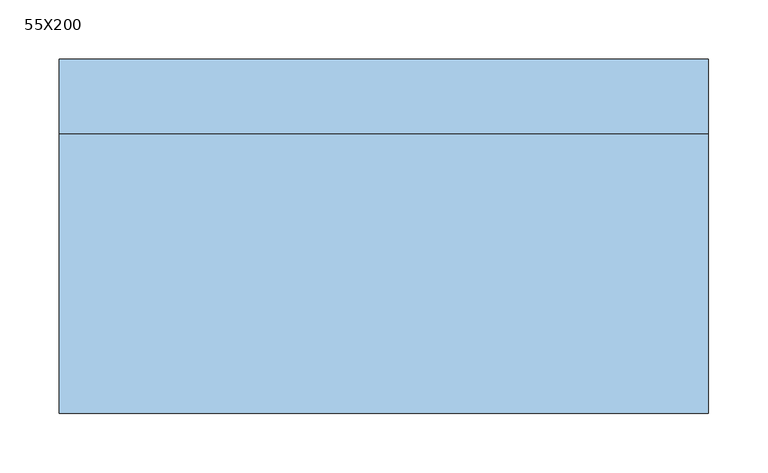
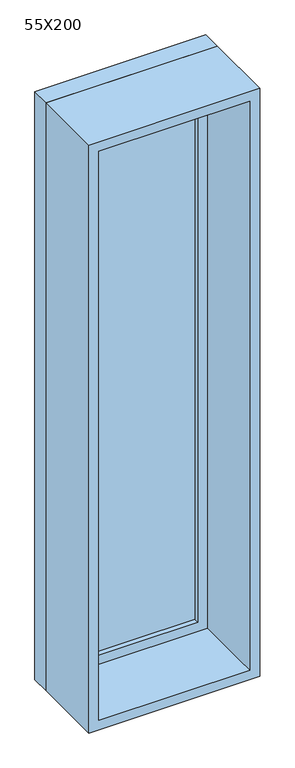
"""IFC4 building model written with IfcOpenShell, lengths in millimetres: window geometry, 55X200."""

from ifc_helpers import new_model, si_unit, frame, origin, place, context, project, spatial, polyline, outline, extrude, source, transform, mapped, element, save


def window_55x200_dfcc4f8e(model_context):
    return source(origin(), model_context, "Body", "SweptSolid", [
        extrude(outline(polyline([(173.4, 102.375), (-249.6, 102.375), (-249.6, 115.075), (173.4, 115.075), (173.4, 102.375)])), frame((0.0, 0.0, 977.9), z_axis=(0.0, 0.0, 1.0), x_axis=(1.0, 0.0, 0.0)), (0.0, 0.0, 1.0), 1873.0),
        extrude(outline(polyline([(2895.35, -294.05), (933.45, -294.05), (933.45, 217.85), (2895.35, 217.85), (2895.35, -294.05)]), holes=[polyline([(2850.9, -249.6), (2850.9, 173.4), (977.9, 173.4), (977.9, -249.6), (2850.9, -249.6)])]), frame((0.0, 86.5, 0.0), z_axis=(0.0, 1.0, 0.0), x_axis=(0.0, 0.0, 1.0)), (0.0, 0.0, 1.0), 44.45),
        extrude(outline(polyline([(2914.4, -313.1), (914.4, -313.1), (914.4, 236.9), (2914.4, 236.9), (2914.4, -313.1)]), holes=[polyline([(2882.65, -281.35), (2882.65, 205.15), (946.15, 205.15), (946.15, -281.35), (2882.65, -281.35)])]), frame((0.0, -150.0, 0.0), z_axis=(0.0, 1.0, 0.0), x_axis=(0.0, 0.0, 1.0)), (0.0, 0.0, 1.0), 236.5),
        extrude(outline(polyline([(2914.4, 236.9), (2914.4, -313.1), (914.4, -313.1), (914.4, 236.9), (2914.4, 236.9)]), holes=[polyline([(2895.35, 217.85), (933.45, 217.85), (933.45, -294.05), (2895.35, -294.05), (2895.35, 217.85)])]), frame((0.0, 86.5, 0.0), z_axis=(0.0, 1.0, 0.0), x_axis=(0.0, 0.0, 1.0)), (0.0, 0.0, 1.0), 63.5),
    ])


if __name__ == "__main__":
    model = new_model("IFC4")
    model_context = context("Model", 3, world=origin())
    ifc_project = project(units=[si_unit("LENGTHUNIT", "METRE", prefix="MILLI")], contexts=[model_context])
    site = spatial("IfcSite", under=ifc_project)
    building = spatial("IfcBuilding", under=site)
    placement = place(None, origin())
    window_55x200_shape = window_55x200_dfcc4f8e(model_context)
    element("IfcWindow", 1, ObjectType="55X200", at=placement, inside=building, context=model_context, shape_type="MappedRepresentation", body=[
        mapped(window_55x200_shape, transform((0.0, 0.0, 0.0), x_axis=(1.0, 0.0, 0.0), y_axis=(0.0, 1.0, 0.0), z_axis=(0.0, 0.0, 1.0))),
    ])
    save(model, "model.ifc")
